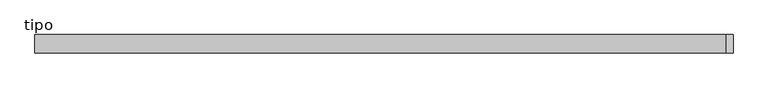
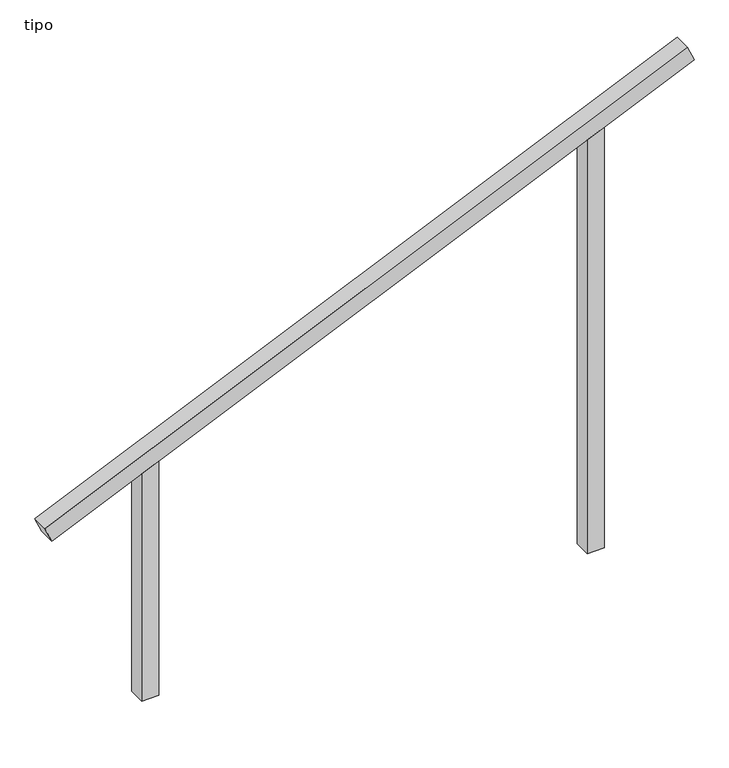
"""IFC4 building model written with IfcOpenShell, lengths in millimetres: proxy geometry, tipo."""

import ifcopenshell
import ifcopenshell.guid

model = None  # the IFC model being written
_history = None  # IfcOwnerHistory: only IFC2X3 demands one
_inside = {}  # id of a spatial element -> (the spatial element, [elements in it])
_under = {}  # id of a project, library or spatial element -> (it, [spatial elements below it])
_declared = {}  # id of a project -> (the project, [libraries it declares])
_typed = {}  # id of a type object -> (the type object, [elements of that type])
_made_of = {}  # id of a material, layer set ... -> (it, [elements and type objects made of it])


def new_model(schema):
    """Start an empty IFC model of exactly this schema.

    Asked for "IFC4X3", IfcOpenShell would pick the latest addendum, in which some entities
    have other attributes; the version numbers below select the first issue.
    IFC2X3 requires an IfcOwnerHistory on every rooted entity: one is made here for all.
    """
    global model, _history
    if schema == "IFC4X3":
        model = ifcopenshell.file(schema_version=(4, 3, 0, 0))
    else:
        model = ifcopenshell.file(schema=schema)
    _inside.clear()
    _under.clear()
    _declared.clear()
    _typed.clear()
    _made_of.clear()
    _history = None
    if model.schema == "IFC2X3":
        org = make("IfcOrganization", Name="unknown")
        user = make(
            "IfcPersonAndOrganization",
            ThePerson=make("IfcPerson", FamilyName="unknown"),
            TheOrganization=org,
        )
        app = make(
            "IfcApplication",
            ApplicationDeveloper=org,
            Version="unknown",
            ApplicationFullName="unknown",
            ApplicationIdentifier="unknown",
        )
        _history = make(
            "IfcOwnerHistory",
            OwningUser=user,
            OwningApplication=app,
            ChangeAction="ADDED",
            CreationDate=0,
        )
    return model


def make(cls, **values):
    """One entity of the class cls with the attributes given. An attribute that is None is left unset."""
    return model.create_entity(
        cls, **{name: value for name, value in values.items() if value is not None}
    )


def rooted(cls, **values):
    """An entity with a GlobalId (a new one), such as an element, a storey or a relation."""
    return make(cls, GlobalId=ifcopenshell.guid.new(), OwnerHistory=_history, **values)


def si_unit(unit_type, name, prefix=None):
    """IfcSIUnit, for example si_unit("LENGTHUNIT", "METRE", prefix="MILLI")."""
    return make("IfcSIUnit", UnitType=unit_type, Prefix=prefix, Name=name)


def assignment(units):
    """IfcUnitAssignment: the units of a project."""
    return None if units is None else make("IfcUnitAssignment", Units=units)


def point(xyz):
    """IfcCartesianPoint."""
    return None if xyz is None else make("IfcCartesianPoint", Coordinates=xyz)


def direction(xyz):
    """IfcDirection."""
    return None if xyz is None else make("IfcDirection", DirectionRatios=xyz)


def frame(location, z_axis=None, x_axis=None):
    """IfcAxis2Placement3D, a coordinate frame: its origin and axes. An axis left out is left unset."""
    return make(
        "IfcAxis2Placement3D",
        Location=point(location),
        Axis=direction(z_axis),
        RefDirection=direction(x_axis),
    )


def origin():
    """The frame at (0, 0, 0) with its axes left unset."""
    return frame((0.0, 0.0, 0.0))


def place(relative_to, where):
    """IfcLocalPlacement: puts the frame where relative to a parent placement (None: the world)."""
    return make(
        "IfcLocalPlacement", PlacementRelTo=relative_to, RelativePlacement=where
    )


def context(
    kind, dimensions, precision=None, world=None, true_north=None, identifier=None
):
    """IfcGeometricRepresentationContext, for example the 3D "Model" context."""
    return make(
        "IfcGeometricRepresentationContext",
        ContextIdentifier=identifier,
        ContextType=kind,
        CoordinateSpaceDimension=dimensions,
        Precision=precision,
        WorldCoordinateSystem=world,
        TrueNorth=true_north,
    )


def project(units=None, contexts=None):
    """IfcProject with its units and contexts."""
    return rooted(
        "IfcProject",
        Name="project",
        RepresentationContexts=contexts,
        UnitsInContext=assignment(units),
    )


def spatial(cls, under=None, at=None, **own):
    """A site, building, storey or space (cls), placed at a placement, below another one or the project."""
    s = rooted(cls, ObjectPlacement=at, **own)
    if under is not None:
        _under.setdefault(under.id(), (under, []))[1].append(s)
    return s


def polyline(points):
    """IfcPolyline through the points."""
    return make("IfcPolyline", Points=[point(p) for p in points])


def outline(outer, holes=None, kind="AREA"):
    """IfcArbitraryClosedProfileDef: a profile drawn as a closed curve; with holes, ...WithVoids."""
    if holes is None:
        return make("IfcArbitraryClosedProfileDef", ProfileType=kind, OuterCurve=outer)
    return make(
        "IfcArbitraryProfileDefWithVoids",
        ProfileType=kind,
        OuterCurve=outer,
        InnerCurves=holes,
    )


def extrude(swept, where, along, depth):
    """IfcExtrudedAreaSolid: the profile swept, set in the frame where, extruded along a direction by depth."""
    return make(
        "IfcExtrudedAreaSolid",
        SweptArea=swept,
        Position=where,
        ExtrudedDirection=direction(along),
        Depth=depth,
    )


def shape(context_of_items, identifier, shape_type, items):
    """IfcShapeRepresentation: the items that make up one representation, for example the "Body"."""
    return make(
        "IfcShapeRepresentation",
        ContextOfItems=context_of_items,
        RepresentationIdentifier=identifier,
        RepresentationType=shape_type,
        Items=items,
    )


def source(mapping_origin, context_of_items, identifier, shape_type, items):
    """IfcRepresentationMap: a shape defined once, which mapped items show again and again."""
    return make(
        "IfcRepresentationMap",
        MappingOrigin=mapping_origin,
        MappedRepresentation=shape(context_of_items, identifier, shape_type, items),
    )


def transform(
    local_origin,
    x_axis=None,
    y_axis=None,
    z_axis=None,
    scale=None,
    scale2=None,
    scale3=None,
    uniform=True,
):
    """IfcCartesianTransformationOperator3D, or its non-uniform kind. x_axis, y_axis, z_axis: its Axis1, 2, 3."""
    if uniform:
        return make(
            "IfcCartesianTransformationOperator3D",
            Axis1=direction(x_axis),
            Axis2=direction(y_axis),
            LocalOrigin=point(local_origin),
            Scale=scale,
            Axis3=direction(z_axis),
        )
    return make(
        "IfcCartesianTransformationOperator3DnonUniform",
        Axis1=direction(x_axis),
        Axis2=direction(y_axis),
        LocalOrigin=point(local_origin),
        Scale=scale,
        Axis3=direction(z_axis),
        Scale2=scale2,
        Scale3=scale3,
    )


def mapped(mapping_source, mapping_target):
    """IfcMappedItem: shows the shape of a source again, moved by a transform."""
    return make(
        "IfcMappedItem", MappingSource=mapping_source, MappingTarget=mapping_target
    )


def made_of(thing, what):
    """Note that an element or type object is made of a material, layer set ...; save() writes the relation."""
    if what is not None:
        _made_of.setdefault(what.id(), (what, []))[1].append(thing)
    return thing


def element(
    cls,
    number,
    at=None,
    inside=None,
    cuts=None,
    type_object=None,
    material=None,
    context=None,
    identifier="Body",
    shape_type=None,
    held_by="IfcProductDefinitionShape",
    body=None,
    shapes=None,
    **own,
):
    """One element of the class cls, such as IfcWall. Its Tag is "e" and its number.

    at: its placement. inside: the storey or other place that contains it. cuts: it is an
    opening in that element (IfcRelVoidsElement). A single representation is given by context,
    identifier, shape_type and body (its items); several are given by shapes. held_by: the class
    of the entity that holds the representations. save() writes the other relations.
    """
    e = rooted(cls, Tag="e%d" % number, ObjectPlacement=at, **own)
    if body is not None:
        shapes = [shape(context, identifier, shape_type, body)]
    if shapes is not None:
        e.Representation = make(held_by, Representations=shapes)
    if inside is not None:
        _inside.setdefault(inside.id(), (inside, []))[1].append(e)
    if cuts is not None:
        rooted(
            "IfcRelVoidsElement", RelatingBuildingElement=cuts, RelatedOpeningElement=e
        )
    if type_object is not None:
        _typed.setdefault(type_object.id(), (type_object, []))[1].append(e)
    return made_of(e, material)


def aggregate(whole, parts):
    """IfcRelAggregates: a whole, such as a stair, and the parts it consists of."""
    return rooted("IfcRelAggregates", RelatingObject=whole, RelatedObjects=parts)


def save(model, path):
    """Write the relations noted so far, then the file.

    IfcRelAggregates (storeys below a building ...), IfcRelContainedInSpatialStructure (elements
    in a storey), IfcRelDefinesByType, IfcRelAssociatesMaterial and IfcRelDeclares: one each for
    every whole, place, type object, material and project.
    """
    for whole, parts in _under.values():
        aggregate(whole, parts)
    for where, things in _inside.values():
        rooted(
            "IfcRelContainedInSpatialStructure",
            RelatedElements=things,
            RelatingStructure=where,
        )
    for kind, things in _typed.values():
        rooted("IfcRelDefinesByType", RelatedObjects=things, RelatingType=kind)
    for what, things in _made_of.values():
        rooted("IfcRelAssociatesMaterial", RelatedObjects=things, RelatingMaterial=what)
    for by, libraries in _declared.values():
        rooted("IfcRelDeclares", RelatingContext=by, RelatedDefinitions=libraries)
    model.write(path)


def tipo_0dcc2557(model_context):
    return source(origin(), model_context, "Body", "SweptSolid", [
        extrude(outline(polyline([(0.0, -4100.0), (0.0, 0.0), (100.0, 0.0), (100.0, -4100.0), (0.0, -4100.0)])), frame((-1874.5539354, -100.0, 1170.2123505), z_axis=(-0.4047744631749718, 0.0, 0.9144165538535561), x_axis=(0.0, 1.0, 0.0)), (0.0, 0.0, 1.0), 100.0),
        extrude(outline(polyline([(2597.5892748, 1350.0), (2553.3234026, 1250.0), (0.0, 1250.0), (0.0, 1350.0), (2597.5892748, 1350.0)])), frame((0.0, -100.0, 0.0), z_axis=(0.0, 1.0, 0.0), x_axis=(0.0, 0.0, 1.0)), (0.0, 0.0, 1.0), 100.0),
        extrude(outline(polyline([(1402.4107252, -1350.0), (0.0, -1350.0), (0.0, -1250.0), (1446.6765974, -1250.0), (1402.4107252, -1350.0)])), frame((0.0, -100.0, 0.0), z_axis=(0.0, 1.0, 0.0), x_axis=(0.0, 0.0, 1.0)), (0.0, 0.0, 1.0), 100.0),
    ])


if __name__ == "__main__":
    model = new_model("IFC4")
    model_context = context("Model", 3, world=origin())
    ifc_project = project(units=[si_unit("LENGTHUNIT", "METRE", prefix="MILLI")], contexts=[model_context])
    site = spatial("IfcSite", under=ifc_project)
    building = spatial("IfcBuilding", under=site)
    placement = place(None, origin())
    tipo_shape = tipo_0dcc2557(model_context)
    element("IfcBuildingElementProxy", 1, Name="tipo", ObjectType="tipo", at=placement, inside=building, context=model_context, shape_type="MappedRepresentation", body=[
        mapped(tipo_shape, transform((0.0, 0.0, 0.0), x_axis=(1.0, 0.0, 0.0), y_axis=(0.0, 1.0, 0.0), z_axis=(0.0, 0.0, 1.0))),
    ])
    save(model, "model.ifc")
